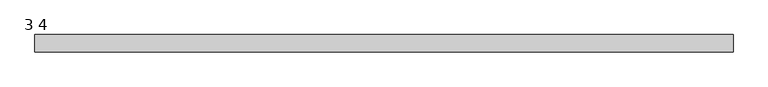
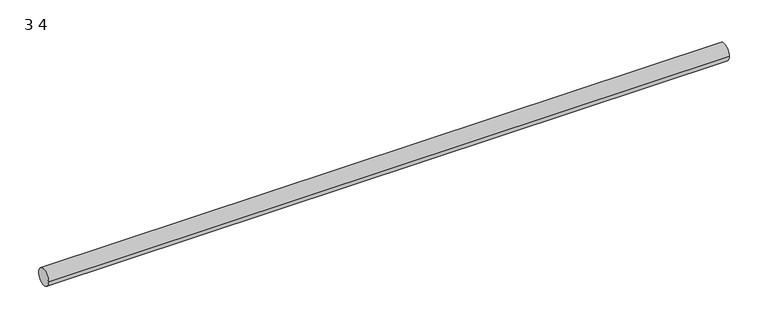
"""IFC4 building model written with IfcOpenShell, lengths in millimetres: furniture geometry, 3 4."""

from ifc_helpers import new_model, si_unit, point, frame, frame_2d, origin, place, context, project, spatial, circle_curve, trimmed, segment, composite_curve, outline, extrude, source, transform, mapped, element, save


def furniture_3_4_d93ce0a4(model_context):
    return source(origin(), model_context, "Body", "SweptSolid", [
        extrude(outline(composite_curve([segment(trimmed(circle_curve(frame_2d((-342.9, -12.7)), 12.7), [point((-330.2, -12.7))], [point((-355.6, -12.7))], False, "CARTESIAN"), True, "CONTINUOUS"), segment(trimmed(circle_curve(frame_2d((-342.9, -12.7)), 12.7), [point((-355.6, -12.7))], [point((-330.2, -12.7))], False, "CARTESIAN"), True, "CONTINUOUS")], self_intersect=False)), frame((-489.2622951, 0.0, 0.0), z_axis=(1.0, 0.0, 0.0), x_axis=(0.0, 1.0, 0.0)), (0.0, 0.0, 1.0), 1016.0),
    ])


if __name__ == "__main__":
    model = new_model("IFC4")
    model_context = context("Model", 3, world=origin())
    ifc_project = project(units=[si_unit("LENGTHUNIT", "METRE", prefix="MILLI")], contexts=[model_context])
    site = spatial("IfcSite", under=ifc_project)
    building = spatial("IfcBuilding", under=site)
    placement = place(None, origin())
    furniture_3_4_shape = furniture_3_4_d93ce0a4(model_context)
    element("IfcFurniture", 1, ObjectType="3 4", at=placement, inside=building, context=model_context, shape_type="MappedRepresentation", body=[
        mapped(furniture_3_4_shape, transform((0.0, 0.0, 0.0), x_axis=(1.0, 0.0, 0.0), y_axis=(0.0, 1.0, 0.0), z_axis=(0.0, 0.0, 1.0))),
    ])
    save(model, "model.ifc")
